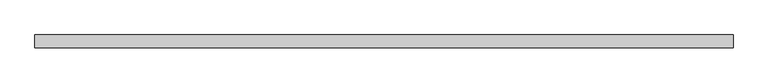
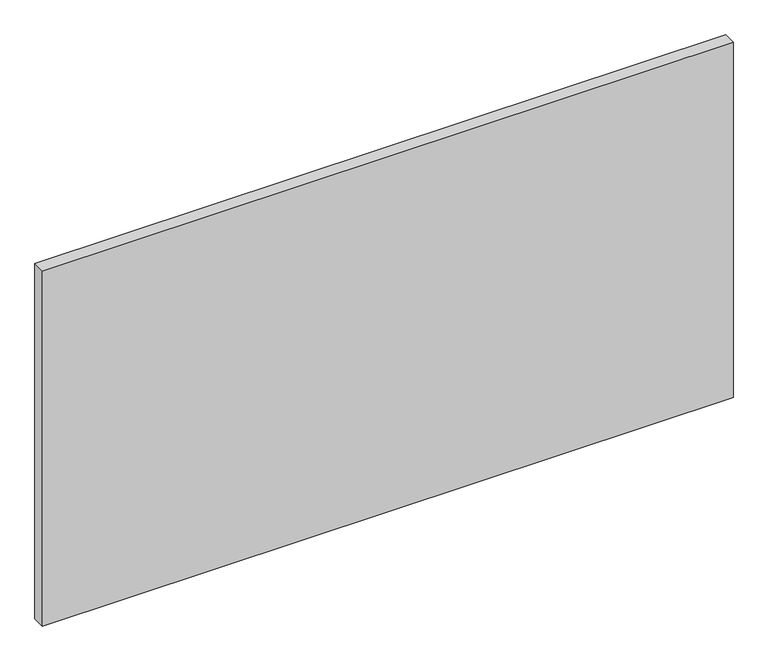
"""IFC4 building model written with IfcOpenShell, lengths in millimetres: plate geometry."""

from ifc_helpers import new_model, si_unit, origin, origin_with_axes, place, context, project, spatial, polyline, outline, extrude, source, transform, mapped, element, save


def plate_a7533f45(model_context):
    return source(origin(), model_context, "Body", "SweptSolid", [
        extrude(outline(polyline([(1058.45, 19.84375), (1058.45, -19.84375), (-1058.45, -19.84375), (-1058.45, 19.84375), (1058.45, 19.84375)])), origin_with_axes(), (0.0, 0.0, 1.0), 1151.7),
    ])


if __name__ == "__main__":
    model = new_model("IFC4")
    model_context = context("Model", 3, world=origin())
    ifc_project = project(units=[si_unit("LENGTHUNIT", "METRE", prefix="MILLI")], contexts=[model_context])
    site = spatial("IfcSite", under=ifc_project)
    building = spatial("IfcBuilding", under=site)
    placement = place(None, origin())
    plate_shape = plate_a7533f45(model_context)
    element("IfcPlate", 1, at=placement, inside=building, context=model_context, shape_type="MappedRepresentation", body=[
        mapped(plate_shape, transform((0.0, 0.0, 0.0), x_axis=(1.0, 0.0, 0.0), y_axis=(0.0, 1.0, 0.0), z_axis=(0.0, 0.0, 1.0))),
    ])
    save(model, "model.ifc")
